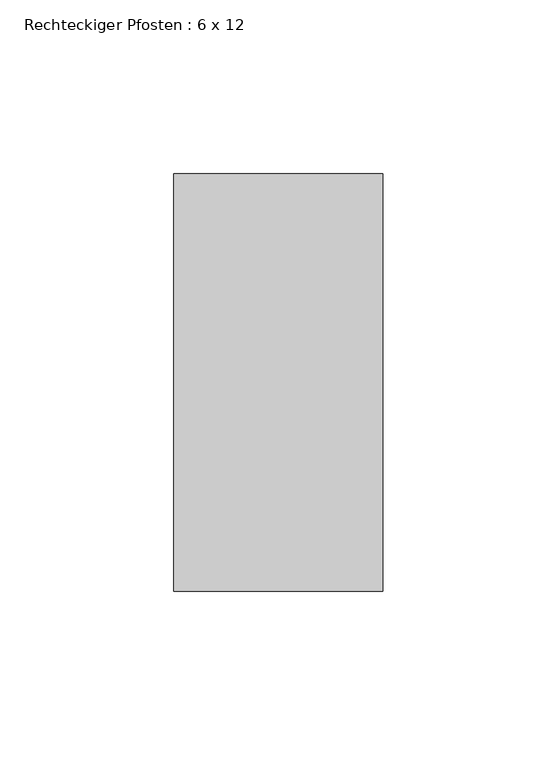
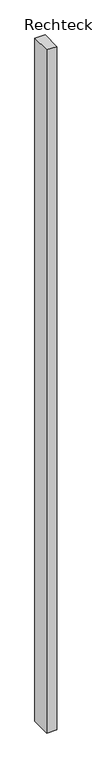
"""IFC4 building model written with IfcOpenShell, lengths in millimetres: member geometry, Rechteckiger Pfosten : 6 x 12."""

from ifc_helpers import new_model, si_unit, frame, origin, place, context, project, spatial, polyline, outline, extrude, source, transform, mapped, element, save


def rechteckiger_pfosten_6_x_12_9d43ea78(model_context):
    return source(origin(), model_context, "Body", "SweptSolid", [
        extrude(outline(polyline([(0.0, 60.0), (0.0, -60.0), (-60.0, -60.0), (-60.0, 60.0), (0.0, 60.0)])), frame((0.0, 0.0, -4250.0), z_axis=(0.0, 0.0, 1.0), x_axis=(1.0, 0.0, 0.0)), (0.0, 0.0, 1.0), 4250.0),
    ])


if __name__ == "__main__":
    model = new_model("IFC4")
    model_context = context("Model", 3, world=origin())
    ifc_project = project(units=[si_unit("LENGTHUNIT", "METRE", prefix="MILLI")], contexts=[model_context])
    site = spatial("IfcSite", under=ifc_project)
    building = spatial("IfcBuilding", under=site)
    placement = place(None, origin())
    rechteckiger_pfosten_6_x_12_shape = rechteckiger_pfosten_6_x_12_9d43ea78(model_context)
    element("IfcMember", 1, ObjectType="Rechteckiger Pfosten : 6 x 12", at=placement, inside=building, context=model_context, shape_type="MappedRepresentation", body=[
        mapped(rechteckiger_pfosten_6_x_12_shape, transform((0.0, 0.0, 0.0), x_axis=(1.0, 0.0, 0.0), y_axis=(0.0, 1.0, 0.0), z_axis=(0.0, 0.0, 1.0))),
    ])
    save(model, "model.ifc")
